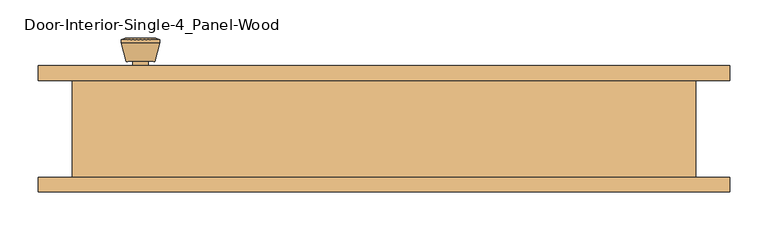
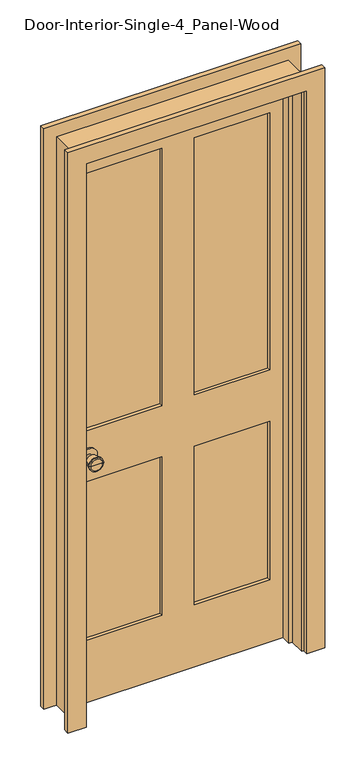
"""IFC4 building model written with IfcOpenShell, lengths in millimetres: door geometry, Door-Interior-Single-4_Panel-Wood."""

from ifc_helpers import new_model, si_unit, point, frame, frame_2d, origin, place, context, project, spatial, polyline, circle_curve, trimmed, segment, composite_curve, outline, extrude, faceted_brep, source, transform, mapped, element, save
from ifc_brep_helpers import plane_surface, cylinder_surface, revolved_surface, advanced_brep


def door_interior_single_4_panel_wood_c98f611f(model_context):
    return source(origin(), model_context, "Body", "SolidModel", [
        advanced_brep(
        [(-317.5, 19.4, 914.4), (-307.5, 19.4, 914.4), (-327.5, 19.4, 914.4), (-297.0241324, -29.6, 914.4), (-317.5, -29.6, 914.4), (-337.9758676, -29.6, 914.4), (-292.5, -27.7721319, 914.4), (-342.5, -27.7721319, 914.4), (-292.5, -24.3084537, 914.4), (-342.5, -24.3084537, 914.4), (-298.863764, 0.4, 914.4), (-336.136236, 0.4, 914.4), (-307.5, 0.4, 914.4), (-327.5, 0.4, 914.4)],
        [
            (0, 1),
            (1, 2, circle_curve(frame((-317.5, 19.4, 914.4), z_axis=(0.0, 1.0, 0.0), x_axis=(-1.0, 0.0, 0.0)), 10.0)),
            (2, 0),
            (2, 1, circle_curve(frame((-317.5, 19.4, 914.4), z_axis=(0.0, 1.0, 0.0), x_axis=(-1.0, 0.0, 0.0)), 10.0)),
            (3, 4),
            (4, 5),
            (5, 3, circle_curve(frame((-317.5, -29.6, 914.4), z_axis=(0.0, -1.0, 0.0), x_axis=(-1.0, 0.0, 0.0)), 20.4758676)),
            (3, 5, circle_curve(frame((-317.5, -29.6, 914.4), z_axis=(0.0, -1.0, 0.0), x_axis=(-1.0, 0.0, 0.0)), 20.4758676)),
            (6, 3),
            (5, 7),
            (7, 6, circle_curve(frame((-317.5, -27.7721319, 914.4), z_axis=(0.0, -1.0, 0.0), x_axis=(-1.0, 0.0, 0.0)), 25.0)),
            (6, 7, circle_curve(frame((-317.5, -27.7721319, 914.4), z_axis=(0.0, -1.0, 0.0), x_axis=(-1.0, 0.0, 0.0)), 25.0)),
            (8, 6),
            (7, 9),
            (9, 8, circle_curve(frame((-317.5, -24.3084537, 914.4), z_axis=(0.0, -1.0, 0.0), x_axis=(-1.0, 0.0, 0.0)), 25.0)),
            (8, 9, circle_curve(frame((-317.5, -24.3084537, 914.4), z_axis=(0.0, -1.0, 0.0), x_axis=(-1.0, 0.0, 0.0)), 25.0)),
            (10, 8),
            (9, 11),
            (11, 10, circle_curve(frame((-317.5, 0.4, 914.4), z_axis=(0.0, -1.0, 0.0), x_axis=(-1.0, 0.0, 0.0)), 18.636236)),
            (10, 11, circle_curve(frame((-317.5, 0.4, 914.4), z_axis=(0.0, -1.0, 0.0), x_axis=(-1.0, 0.0, 0.0)), 18.636236)),
            (12, 10),
            (11, 13),
            (13, 12, circle_curve(frame((-317.5, 0.4, 914.4), z_axis=(0.0, -1.0, 0.0), x_axis=(-1.0, 0.0, 0.0)), 10.0)),
            (12, 13, circle_curve(frame((-317.5, 0.4, 914.4), z_axis=(0.0, -1.0, 0.0), x_axis=(-1.0, 0.0, 0.0)), 10.0)),
            (1, 12),
            (13, 2),
        ],
        [
            plane_surface(frame((-317.5, 19.4, 914.4), z_axis=(0.0, 1.0, 0.0), x_axis=(-1.0, 0.0, 0.0))),
            plane_surface(frame((-317.5, -29.6, 914.4), z_axis=(0.0, -1.0, 0.0), x_axis=(-1.0, 0.0, 0.0))),
            revolved_surface(polyline([(-337.9758676, -29.6, 914.4), (-342.5, -27.7721319, 914.4)]), (-317.5, 19.4, 914.4), (0.0, 1.0, 0.0)),
            cylinder_surface(frame((-317.5, 19.4, 914.4), z_axis=(0.0, 1.0, 0.0), x_axis=(-1.0, 0.0, 0.0)), 25.0),
            revolved_surface(polyline([(-342.5, -24.3084537, 914.4), (-336.136236, 0.4, 914.4)]), (-317.5, 19.4, 914.4), (0.0, 1.0, 0.0)),
            plane_surface(frame((-317.5, 0.4, 914.4), z_axis=(0.0, 1.0, 0.0), x_axis=(-1.0, 0.0, 0.0))),
            cylinder_surface(frame((-317.5, 19.4, 914.4), z_axis=(0.0, 1.0, 0.0), x_axis=(-1.0, 0.0, 0.0)), 10.0),
        ],
        [
            (0, [[1, 2, 3]]),
            (0, [[-3, 4, -1]]),
            (1, [[5, 6, 7]]),
            (1, [[-6, -5, 8]]),
            (2, [[9, -7, 10, 11]]),
            (2, [[-10, -8, -9, 12]]),
            (3, [[13, -11, 14, 15]]),
            (3, [[-14, -12, -13, 16]]),
            (4, [[17, -15, 18, 19]]),
            (4, [[-18, -16, -17, 20]]),
            (5, [[21, -19, 22, 23]]),
            (5, [[-22, -20, -21, 24]]),
            (6, [[25, -23, 26, -2]]),
            (6, [[-26, -24, -25, -4]]),
        ],
    ),
        extrude(outline(composite_curve([segment(trimmed(circle_curve(frame_2d((914.4, -317.5)), 30.0), [point((914.4, -347.5))], [point((914.4, -287.5))], False, "CARTESIAN"), True, "CONTINUOUS"), segment(trimmed(circle_curve(frame_2d((914.4, -317.5)), 30.0), [point((914.4, -287.5))], [point((914.4, -347.5))], False, "CARTESIAN"), True, "CONTINUOUS")], self_intersect=False)), frame((0.0, 19.4, 0.0), z_axis=(0.0, 1.0, 0.0), x_axis=(0.0, 0.0, 1.0)), (0.0, 0.0, 1.0), 6.0),
        advanced_brep(
        [(-317.5, 66.325, 914.4), (-327.5, 66.325, 914.4), (-307.5, 66.325, 914.4), (-297.0241324, 115.325, 914.4), (-337.9758676, 115.325, 914.4), (-317.5, 115.325, 914.4), (-292.5, 113.4971319, 914.4), (-342.5, 113.4971319, 914.4), (-292.5, 110.0334537, 914.4), (-342.5, 110.0334537, 914.4), (-298.863764, 85.325, 914.4), (-336.136236, 85.325, 914.4), (-307.5, 85.325, 914.4), (-327.5, 85.325, 914.4)],
        [
            (0, 1),
            (1, 2, circle_curve(frame((-317.5, 66.325, 914.4), z_axis=(0.0, -1.0, 0.0), x_axis=(-1.0, 0.0, 0.0)), 10.0)),
            (2, 0),
            (2, 1, circle_curve(frame((-317.5, 66.325, 914.4), z_axis=(0.0, -1.0, 0.0), x_axis=(-1.0, 0.0, 0.0)), 10.0)),
            (3, 4, circle_curve(frame((-317.5, 115.325, 914.4), z_axis=(0.0, 1.0, 0.0), x_axis=(-1.0, 0.0, 0.0)), 20.4758676)),
            (4, 5),
            (5, 3),
            (4, 3, circle_curve(frame((-317.5, 115.325, 914.4), z_axis=(0.0, 1.0, 0.0), x_axis=(-1.0, 0.0, 0.0)), 20.4758676)),
            (6, 7, circle_curve(frame((-317.5, 113.4971319, 914.4), z_axis=(0.0, 1.0, 0.0), x_axis=(-1.0, 0.0, 0.0)), 25.0)),
            (7, 4),
            (3, 6),
            (7, 6, circle_curve(frame((-317.5, 113.4971319, 914.4), z_axis=(0.0, 1.0, 0.0), x_axis=(-1.0, 0.0, 0.0)), 25.0)),
            (8, 9, circle_curve(frame((-317.5, 110.0334537, 914.4), z_axis=(0.0, 1.0, 0.0), x_axis=(-1.0, 0.0, 0.0)), 25.0)),
            (9, 7),
            (6, 8),
            (9, 8, circle_curve(frame((-317.5, 110.0334537, 914.4), z_axis=(0.0, 1.0, 0.0), x_axis=(-1.0, 0.0, 0.0)), 25.0)),
            (10, 11, circle_curve(frame((-317.5, 85.325, 914.4), z_axis=(0.0, 1.0, 0.0), x_axis=(-1.0, 0.0, 0.0)), 18.636236)),
            (11, 9),
            (8, 10),
            (11, 10, circle_curve(frame((-317.5, 85.325, 914.4), z_axis=(0.0, 1.0, 0.0), x_axis=(-1.0, 0.0, 0.0)), 18.636236)),
            (12, 13, circle_curve(frame((-317.5, 85.325, 914.4), z_axis=(0.0, 1.0, 0.0), x_axis=(-1.0, 0.0, 0.0)), 10.0)),
            (13, 11),
            (10, 12),
            (13, 12, circle_curve(frame((-317.5, 85.325, 914.4), z_axis=(0.0, 1.0, 0.0), x_axis=(-1.0, 0.0, 0.0)), 10.0)),
            (1, 13),
            (12, 2),
        ],
        [
            plane_surface(frame((-317.5, 66.325, 914.4), z_axis=(0.0, -1.0, 0.0), x_axis=(-1.0, 0.0, 0.0))),
            plane_surface(frame((-317.5, 115.325, 914.4), z_axis=(0.0, 1.0, 0.0), x_axis=(-1.0, 0.0, 0.0))),
            revolved_surface(polyline([(-337.9758676, 115.325, 914.4), (-342.5, 113.4971319, 914.4)]), (-317.5, 66.325, 914.4), (0.0, -1.0, 0.0)),
            cylinder_surface(frame((-317.5, 66.325, 914.4), z_axis=(0.0, -1.0, 0.0), x_axis=(-1.0, 0.0, 0.0)), 25.0),
            revolved_surface(polyline([(-342.5, 110.0334537, 914.4), (-336.136236, 85.325, 914.4)]), (-317.5, 66.325, 914.4), (0.0, -1.0, 0.0)),
            plane_surface(frame((-317.5, 85.325, 914.4), z_axis=(0.0, -1.0, 0.0), x_axis=(-1.0, 0.0, 0.0))),
            cylinder_surface(frame((-317.5, 66.325, 914.4), z_axis=(0.0, -1.0, 0.0), x_axis=(-1.0, 0.0, 0.0)), 10.0),
        ],
        [
            (0, [[1, 2, 3]]),
            (0, [[-3, 4, -1]]),
            (1, [[5, 6, 7]]),
            (1, [[8, -7, -6]]),
            (2, [[9, 10, -5, 11]]),
            (2, [[12, -11, -8, -10]]),
            (3, [[13, 14, -9, 15]]),
            (3, [[16, -15, -12, -14]]),
            (4, [[17, 18, -13, 19]]),
            (4, [[20, -19, -16, -18]]),
            (5, [[21, 22, -17, 23]]),
            (5, [[24, -23, -20, -22]]),
            (6, [[-2, 25, -21, 26]]),
            (6, [[-4, -26, -24, -25]]),
        ],
    ),
        extrude(outline(composite_curve([segment(trimmed(circle_curve(frame_2d((914.4, -317.5)), 30.0), [point((914.4, -347.5))], [point((914.4, -287.5))], False, "CARTESIAN"), True, "CONTINUOUS"), segment(trimmed(circle_curve(frame_2d((914.4, -317.5)), 30.0), [point((914.4, -287.5))], [point((914.4, -347.5))], False, "CARTESIAN"), True, "CONTINUOUS")], self_intersect=False)), frame((0.0, 60.325, 0.0), z_axis=(0.0, 1.0, 0.0), x_axis=(0.0, 0.0, 1.0)), (0.0, 0.0, 1.0), 6.0),
        faceted_brep([(406.4, 60.325, 0.0), (406.4, -66.675, 0.0), (381.0, -66.675, 0.0), (381.0, -9.525, 0.0), (368.3, -9.525, 0.0), (368.3, 25.4, 0.0), (381.0, 25.4, 0.0), (381.0, 60.325, 0.0), (406.4, 60.325, 2108.2), (406.4, -66.675, 2108.2), (-406.4, -66.675, 2108.2), (-406.4, -66.675, 0.0), (-381.0, -66.675, 0.0), (-381.0, -66.675, 2082.8), (381.0, -66.675, 2082.8), (381.0, -9.525, 2082.8), (-381.0, -9.525, 2082.8), (-381.0, -9.525, 0.0), (-368.3, -9.525, 0.0), (-368.3, -9.525, 2070.1), (368.3, -9.525, 2070.1), (368.3, 25.4, 2070.1), (-368.3, 25.4, 2070.1), (-368.3, 25.4, 0.0), (-381.0, 25.4, 0.0), (-381.0, 25.4, 2082.8), (381.0, 25.4, 2082.8), (381.0, 60.325, 2082.8), (-381.0, 60.325, 2082.8), (-381.0, 60.325, 0.0), (-406.4, 60.325, 0.0), (-406.4, 60.325, 2108.2)], [[[0, 1, 2, 3, 4, 5, 6, 7]], [[1, 0, 8, 9]], [[2, 1, 9, 10, 11, 12, 13, 14]], [[3, 2, 14, 15]], [[4, 3, 15, 16, 17, 18, 19, 20]], [[5, 4, 20, 21]], [[6, 5, 21, 22, 23, 24, 25, 26]], [[7, 6, 26, 27]], [[0, 7, 27, 28, 29, 30, 31, 8]], [[9, 8, 31, 10]], [[15, 14, 13, 16]], [[21, 20, 19, 22]], [[27, 26, 25, 28]], [[30, 29, 24, 23, 18, 17, 12, 11]], [[10, 31, 30, 11]], [[16, 13, 12, 17]], [[22, 19, 18, 23]], [[28, 25, 24, 29]]]),
        extrude(outline(polyline([(2082.8, -381.0), (0.0, -381.0), (0.0, 381.0), (2082.8, 381.0), (2082.8, -381.0)]), holes=[polyline([(1963.7375, 57.15), (1963.7375, 320.675), (1009.65, 320.675), (1009.65, 57.15), (1963.7375, 57.15)]), polyline([(1009.65, -57.15), (1009.65, -320.675), (1963.7375, -320.675), (1963.7375, -57.15), (1009.65, -57.15)]), polyline([(819.15, 57.15), (819.15, 320.675), (231.775, 320.675), (231.775, 57.15), (819.15, 57.15)]), polyline([(231.775, -57.15), (231.775, -320.675), (819.15, -320.675), (819.15, -57.15), (231.775, -57.15)])]), frame((0.0, 25.4, 0.0), z_axis=(0.0, 1.0, 0.0), x_axis=(0.0, 0.0, 1.0)), (0.0, 0.0, 1.0), 34.925),
        extrude(outline(polyline([(320.675, 37.0416667), (57.15, 37.0416667), (57.15, 48.6833333), (320.675, 48.6833333), (320.675, 37.0416667)])), frame((0.0, 0.0, 1009.65), z_axis=(0.0, 0.0, 1.0), x_axis=(1.0, 0.0, 0.0)), (0.0, 0.0, 1.0), 954.0875),
        extrude(outline(polyline([(-57.15, 37.0416667), (-320.675, 37.0416667), (-320.675, 48.6833333), (-57.15, 48.6833333), (-57.15, 37.0416667)])), frame((0.0, 0.0, 1009.65), z_axis=(0.0, 0.0, 1.0), x_axis=(1.0, 0.0, 0.0)), (0.0, 0.0, 1.0), 954.0875),
        extrude(outline(polyline([(320.675, 37.0416667), (57.15, 37.0416667), (57.15, 48.6833333), (320.675, 48.6833333), (320.675, 37.0416667)])), frame((0.0, 0.0, 231.775), z_axis=(0.0, 0.0, 1.0), x_axis=(1.0, 0.0, 0.0)), (0.0, 0.0, 1.0), 587.375),
        extrude(outline(polyline([(-57.15, 37.0416667), (-320.675, 37.0416667), (-320.675, 48.6833333), (-57.15, 48.6833333), (-57.15, 37.0416667)])), frame((0.0, 0.0, 231.775), z_axis=(0.0, 0.0, 1.0), x_axis=(1.0, 0.0, 0.0)), (0.0, 0.0, 1.0), 587.375),
        extrude(outline(polyline([(0.0, 387.35), (0.0, 450.85), (2152.65, 450.85), (2152.65, -450.85), (0.0, -450.85), (0.0, -387.35), (2089.15, -387.35), (2089.15, 387.35), (0.0, 387.35)])), frame((0.0, 60.325, 0.0), z_axis=(0.0, 1.0, 0.0), x_axis=(0.0, 0.0, 1.0)), (0.0, 0.0, 1.0), 19.05),
        extrude(outline(polyline([(0.0, 387.35), (0.0, 450.85), (2152.65, 450.85), (2152.65, -450.85), (0.0, -450.85), (0.0, -387.35), (2089.15, -387.35), (2089.15, 387.35), (0.0, 387.35)])), frame((0.0, -85.725, 0.0), z_axis=(0.0, 1.0, 0.0), x_axis=(0.0, 0.0, 1.0)), (0.0, 0.0, 1.0), 19.05),
    ])


if __name__ == "__main__":
    model = new_model("IFC4")
    model_context = context("Model", 3, world=origin())
    ifc_project = project(units=[si_unit("LENGTHUNIT", "METRE", prefix="MILLI")], contexts=[model_context])
    site = spatial("IfcSite", under=ifc_project)
    building = spatial("IfcBuilding", under=site)
    placement = place(None, origin())
    door_interior_single_4_panel_wood_shape = door_interior_single_4_panel_wood_c98f611f(model_context)
    element("IfcDoor", 1, ObjectType="Door-Interior-Single-4_Panel-Wood", at=placement, inside=building, context=model_context, shape_type="MappedRepresentation", body=[
        mapped(door_interior_single_4_panel_wood_shape, transform((0.0, 0.0, 0.0), x_axis=(1.0, 0.0, 0.0), y_axis=(0.0, 1.0, 0.0), z_axis=(0.0, 0.0, 1.0))),
    ])
    save(model, "model.ifc")
